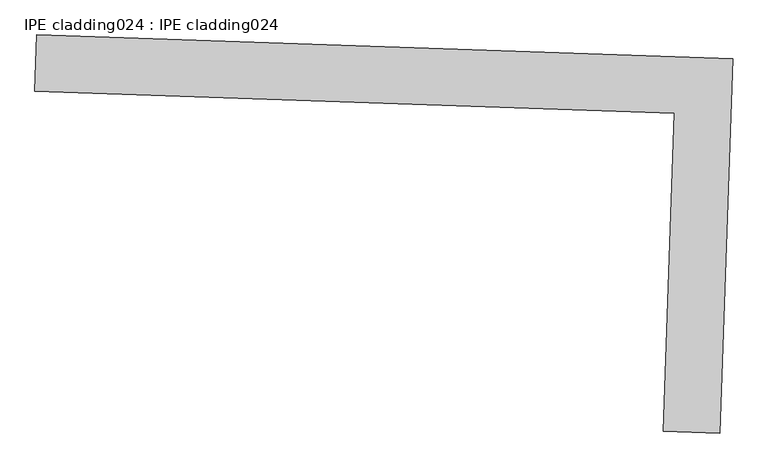
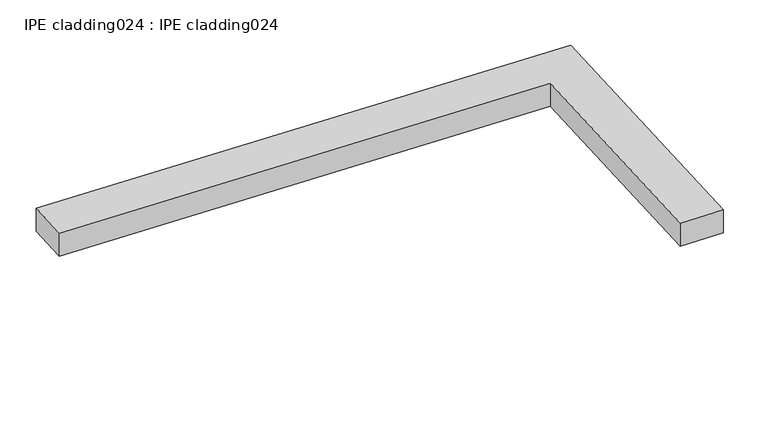
"""IFC4 building model written with IfcOpenShell, lengths in millimetres: proxy geometry, IPE cladding024 : IPE cladding024."""

from ifc_helpers import new_model, si_unit, frame, origin, place, context, project, spatial, polyline, outline, extrude, source, transform, mapped, element, save


def ipe_cladding024_ipe_cladding024_97ff2061(model_context):
    return source(origin(), model_context, "Body", "SweptSolid", [
        extrude(outline(polyline([(17306.503674, -14579.7359061), (17309.5442109, -14490.8879172), (18404.9713725, -14528.3753898), (18384.8189493, -15117.2524284), (18295.9709602, -15114.2118917), (18313.0828469, -14614.1828418), (17306.503674, -14579.7359061)])), frame((0.0, 0.0, 2461.575707), z_axis=(0.0, 0.0, 1.0), x_axis=(1.0, 0.0, 0.0)), (0.0, 0.0, 1.0), 50.8),
    ])


if __name__ == "__main__":
    model = new_model("IFC4")
    model_context = context("Model", 3, world=origin())
    ifc_project = project(units=[si_unit("LENGTHUNIT", "METRE", prefix="MILLI")], contexts=[model_context])
    site = spatial("IfcSite", under=ifc_project)
    building = spatial("IfcBuilding", under=site)
    placement = place(None, origin())
    ipe_cladding024_ipe_cladding024_shape = ipe_cladding024_ipe_cladding024_97ff2061(model_context)
    element("IfcBuildingElementProxy", 1, Name="IPE cladding024 : IPE cladding024", ObjectType="IPE cladding024 : IPE cladding024", at=placement, inside=building, context=model_context, shape_type="MappedRepresentation", body=[
        mapped(ipe_cladding024_ipe_cladding024_shape, transform((0.0, 0.0, 0.0), x_axis=(1.0, 0.0, 0.0), y_axis=(0.0, 1.0, 0.0), z_axis=(0.0, 0.0, 1.0))),
    ])
    save(model, "model.ifc")
